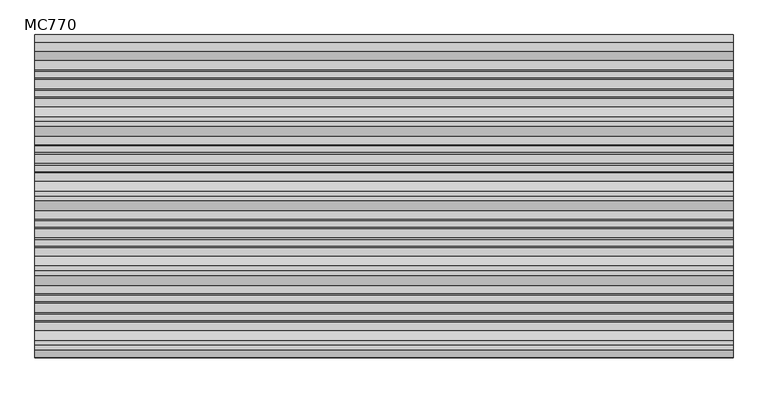
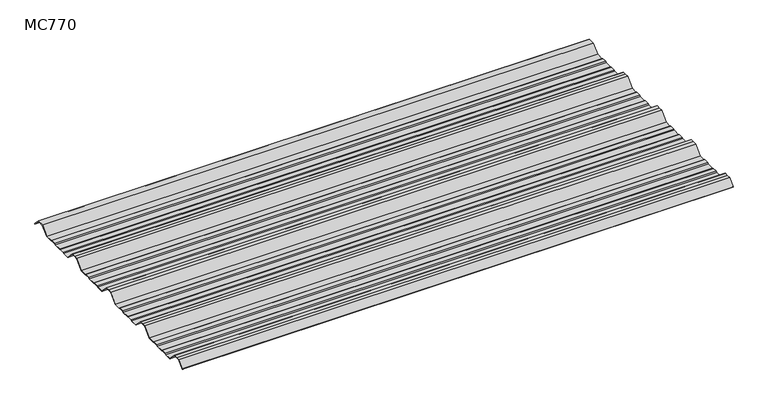
"""IFC4 building model written with IfcOpenShell, lengths in millimetres: beam geometry, MC770."""

from ifc_helpers import new_model, si_unit, point, frame, frame_2d, origin, place, context, project, spatial, polyline, circle_curve, trimmed, segment, composite_curve, outline, extrude, source, transform, mapped, element, save


def mc770_207110f3(model_context):
    return source(origin(), model_context, "Body", "SweptSolid", [
        extrude(outline(composite_curve([segment(polyline([(-155.0000967, -25.7896475), (-180.574511, 0.2103525), (-192.5, 0.2103525), (-204.425489, 0.2103525), (-229.9999033, -25.7896475), (-252.6975582, -25.7896475), (-255.9126024, -23.7494212), (-272.3405937, -23.7494212), (-276.7209114, -25.7896475), (-300.7790886, -25.7896475), (-305.1594063, -23.7494212), (-321.5873976, -23.7494212), (-324.8024418, -25.7896475), (-347.5000967, -25.7896475), (-373.074511, 0.2103525), (-385.0, 0.2103525), (-396.925489, 0.2103525), (-422.4999033, -25.7896475), (-445.1975582, -25.7896475), (-448.4126024, -23.7494212), (-464.8405937, -23.7494212), (-469.2209114, -25.7896475), (-493.2790886, -25.7896475), (-497.6594063, -23.7494212), (-514.0873976, -23.7494212), (-517.3024418, -25.7896475), (-540.0000967, -25.7896475), (-565.574511, 0.2103525), (-577.5, 0.2103525), (-589.425489, 0.2103525), (-614.9999033, -25.7896475), (-637.6975582, -25.7896475), (-640.9126024, -23.7494212), (-657.3405937, -23.7494212), (-661.7209114, -25.7896475), (-685.7790886, -25.7896475), (-690.1594063, -23.7494212), (-706.5873976, -23.7494212), (-709.8024418, -25.7896475), (-732.5000967, -25.7896475), (-758.074511, 0.2103525), (-770.0, 0.2103525), (-781.925489, 0.2103525), (-801.261749, -19.4476836)]), True, "CONTINUOUS"), segment(trimmed(circle_curve(frame_2d((-801.651258, -19.0516927)), 0.5554513), [point((-801.261749, -19.4476836))], [point((-802.0472489, -18.6621836))], False, "CARTESIAN"), True, "CONTINUOUS"), segment(polyline([(-802.0472489, -18.6621836), (-782.5, 1.2103525), (-770.0, 1.2103525), (-757.5, 1.2103525), (-731.9255858, -24.7896475), (-710.0929563, -24.7896475), (-706.8779121, -22.7494212), (-689.9379428, -22.7494212), (-685.5576251, -24.7896475), (-661.9423749, -24.7896475), (-657.5620572, -22.7494212), (-640.6220879, -22.7494212), (-637.4070437, -24.7896475), (-615.5744142, -24.7896475), (-590.0, 1.2103525), (-577.5, 1.2103525), (-565.0, 1.2103525), (-539.4255858, -24.7896475), (-517.5929563, -24.7896475), (-514.3779121, -22.7494212), (-497.4379428, -22.7494212), (-493.0576251, -24.7896475), (-469.4423749, -24.7896475), (-465.0620572, -22.7494212), (-448.1220879, -22.7494212), (-444.9070437, -24.7896475), (-423.0744142, -24.7896475), (-397.5, 1.2103525), (-385.0, 1.2103525), (-372.5, 1.2103525), (-346.9255858, -24.7896475), (-325.0929563, -24.7896475), (-321.8779121, -22.7494212), (-304.9379428, -22.7494212), (-300.5576251, -24.7896475), (-276.9423749, -24.7896475), (-272.5620572, -22.7494212), (-255.6220879, -22.7494212), (-252.4070437, -24.7896475), (-230.5744142, -24.7896475), (-205.0, 1.2103525), (-192.5, 1.2103525), (-180.0, 1.2103525), (-154.4255858, -24.7896475), (-132.5929563, -24.7896475), (-129.3779121, -22.7494212), (-112.4379428, -22.7494212), (-108.0576251, -24.7896475), (-84.4423749, -24.7896475), (-80.0620572, -22.7494212), (-63.1220879, -22.7494212), (-59.9070437, -24.7896475), (-35.113585, -24.7896475), (-11.5064334, -0.7896475), (11.5064334, -0.7896475), (31.651812, -21.2702668)]), True, "CONTINUOUS"), segment(trimmed(circle_curve(frame_2d((31.295329, -21.6209146)), 0.500034), [point((31.651812, -21.2702668))], [point((30.9446811, -21.9773977))], False, "CARTESIAN"), True, "CONTINUOUS"), segment(polyline([(30.9446811, -21.9773977), (11.0873778, -1.7896475), (-11.0873778, -1.7896475), (-34.6945294, -25.7896475), (-60.1975582, -25.7896475), (-63.4126024, -23.7494212), (-79.8405937, -23.7494212), (-84.2209114, -25.7896475), (-108.2790886, -25.7896475), (-112.6594063, -23.7494212), (-129.0873976, -23.7494212), (-132.3024418, -25.7896475), (-155.0000967, -25.7896475)]), True, "CONTINUOUS")], self_intersect=False)), frame((-900.0, 0.0, 0.0), z_axis=(1.0, 0.0, 0.0), x_axis=(0.0, 1.0, 0.0)), (0.0, 0.0, 1.0), 1800.0),
    ])


if __name__ == "__main__":
    model = new_model("IFC4")
    model_context = context("Model", 3, world=origin())
    ifc_project = project(units=[si_unit("LENGTHUNIT", "METRE", prefix="MILLI")], contexts=[model_context])
    site = spatial("IfcSite", under=ifc_project)
    building = spatial("IfcBuilding", under=site)
    placement = place(None, origin())
    mc770_shape = mc770_207110f3(model_context)
    element("IfcBeam", 1, ObjectType="MC770", at=placement, inside=building, context=model_context, shape_type="MappedRepresentation", body=[
        mapped(mc770_shape, transform((0.0, 0.0, 0.0), x_axis=(1.0, 0.0, 0.0), y_axis=(0.0, 1.0, 0.0), z_axis=(0.0, 0.0, 1.0))),
    ])
    save(model, "model.ifc")
